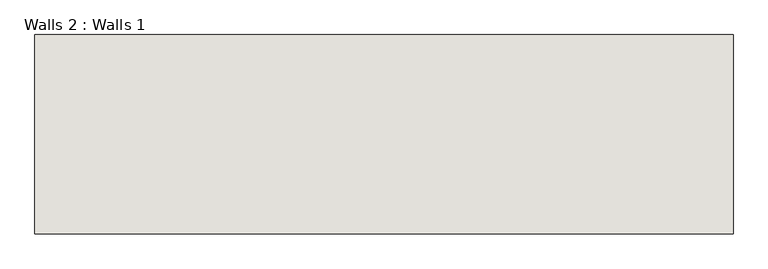
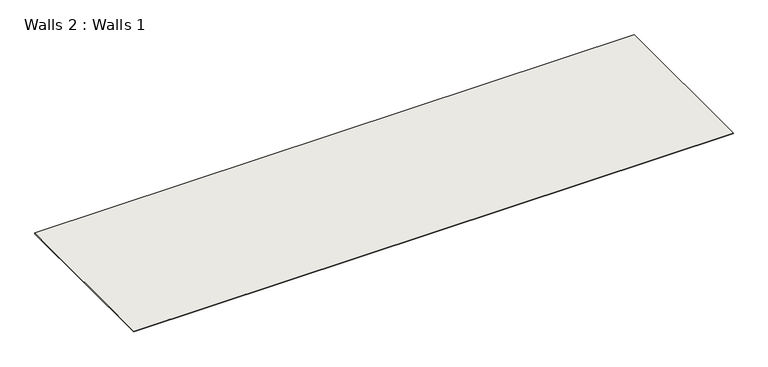
"""IFC4 building model written with IfcOpenShell, lengths in millimetres: wall geometry, Walls 2 : Walls 1."""

from ifc_helpers import new_model, si_unit, frame, origin, place, context, project, spatial, polyline, outline, extrude, source, transform, mapped, element, save


def walls_2_walls_1_eb3a6f1e(model_context):
    return source(origin(), model_context, "Body", "SweptSolid", [
        extrude(outline(polyline([(-971.3503933, 1717.2858959), (-971.3503933, 2326.8858959), (1162.2496067, 2326.8858959), (1162.2496067, 1717.2858959), (-971.3503933, 1717.2858959)])), frame((0.0, 0.0, 606.462188), z_axis=(0.0, 0.0, 1.0), x_axis=(1.0, 0.0, 0.0)), (0.0, 0.0, 1.0), 3.175),
    ])


if __name__ == "__main__":
    model = new_model("IFC4")
    model_context = context("Model", 3, world=origin())
    ifc_project = project(units=[si_unit("LENGTHUNIT", "METRE", prefix="MILLI")], contexts=[model_context])
    site = spatial("IfcSite", under=ifc_project)
    building = spatial("IfcBuilding", under=site)
    placement = place(None, origin())
    walls_2_walls_1_shape = walls_2_walls_1_eb3a6f1e(model_context)
    element("IfcWall", 1, ObjectType="Walls 2 : Walls 1", at=placement, inside=building, context=model_context, shape_type="MappedRepresentation", body=[
        mapped(walls_2_walls_1_shape, transform((0.0, 0.0, 0.0), x_axis=(1.0, 0.0, 0.0), y_axis=(0.0, 1.0, 0.0), z_axis=(0.0, 0.0, 1.0))),
    ])
    save(model, "model.ifc")
